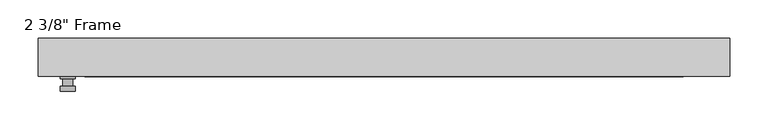
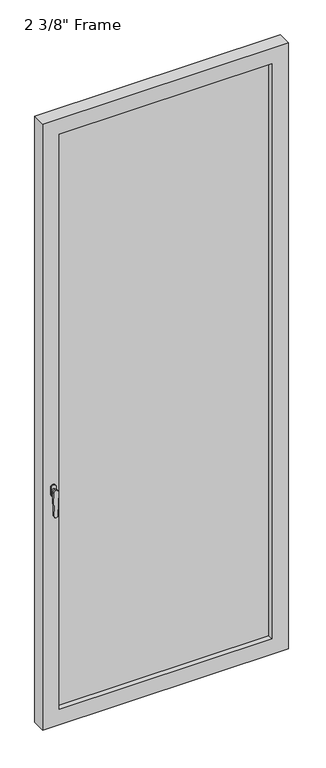
"""IFC4 building model written with IfcOpenShell, lengths in millimetres: plate geometry."""

from ifc_helpers import new_model, si_unit, frame, origin, place, context, project, spatial, polyline, circle_curve, outline, extrude, faceted_brep, source, transform, mapped, element, save
from ifc_brep_helpers import plane_surface, cylinder_surface, advanced_brep


def plate_90e26976(model_context):
    return source(origin(), model_context, "Body", "SolidModel", [
        advanced_brep(
        [(-401.6375, -24.60625, 927.1), (-401.6375, -24.60625, 901.7), (-420.6875, -24.60625, 901.7), (-420.6875, -24.60625, 927.1), (-404.8125, -37.30625, 914.4), (-417.5125, -37.30625, 914.4), (-417.5125, -27.78125, 914.4), (-404.8125, -27.78125, 914.4), (-401.6375, -37.30625, 914.4), (-404.8165356, -37.30625, 825.2736467), (-417.5084644, -37.30625, 825.2736467), (-420.6875, -37.30625, 914.4), (-401.6375, -43.65625, 914.4), (-420.6875, -43.65625, 914.4), (-417.5084644, -43.65625, 825.2736467), (-404.8165356, -43.65625, 825.2736467), (-401.6375, -27.78125, 927.1), (-420.6875, -27.78125, 927.1), (-420.6875, -27.78125, 901.7), (-401.6375, -27.78125, 901.7)],
        [
            (0, 1),
            (1, 2, circle_curve(frame((-411.1625, -24.60625, 901.7), z_axis=(0.0, 1.0, 0.0), x_axis=(-1.0, 0.0, 0.0)), 9.525)),
            (2, 3),
            (3, 0, circle_curve(frame((-411.1625, -24.60625, 927.1), z_axis=(0.0, 1.0, 0.0), x_axis=(-1.0, 0.0, 0.0)), 9.525)),
            (4, 5, circle_curve(frame((-411.1625, -37.30625, 914.4), z_axis=(0.0, 1.0, 0.0), x_axis=(-1.0, 0.0, 0.0)), 6.35)),
            (5, 6),
            (6, 7, circle_curve(frame((-411.1625, -27.78125, 914.4), z_axis=(0.0, -1.0, 0.0), x_axis=(-1.0, 0.0, 0.0)), 6.35)),
            (7, 4),
            (5, 4, circle_curve(frame((-411.1625, -37.30625, 914.4), z_axis=(0.0, 1.0, 0.0), x_axis=(-1.0, 0.0, 0.0)), 6.35)),
            (7, 6, circle_curve(frame((-411.1625, -27.78125, 914.4), z_axis=(0.0, -1.0, 0.0), x_axis=(-1.0, 0.0, 0.0)), 6.35)),
            (8, 9),
            (9, 10, circle_curve(frame((-411.1625, -37.30625, 825.5), z_axis=(0.0, 1.0, 0.0), x_axis=(-1.0, 0.0, 0.0)), 6.35)),
            (10, 11),
            (11, 8, circle_curve(frame((-411.1625, -37.30625, 914.4), z_axis=(0.0, 1.0, 0.0), x_axis=(-1.0, 0.0, 0.0)), 9.525)),
            (12, 13, circle_curve(frame((-411.1625, -43.65625, 914.4), z_axis=(0.0, -1.0, 0.0), x_axis=(-1.0, 0.0, 0.0)), 9.525)),
            (13, 14),
            (14, 15, circle_curve(frame((-411.1625, -43.65625, 825.5), z_axis=(0.0, -1.0, 0.0), x_axis=(-1.0, 0.0, 0.0)), 6.35)),
            (15, 12),
            (8, 12),
            (15, 9),
            (14, 10),
            (13, 11),
            (16, 17, circle_curve(frame((-411.1625, -27.78125, 927.1), z_axis=(0.0, -1.0, 0.0), x_axis=(-1.0, 0.0, 0.0)), 9.525)),
            (17, 18),
            (18, 19, circle_curve(frame((-411.1625, -27.78125, 901.7), z_axis=(0.0, -1.0, 0.0), x_axis=(-1.0, 0.0, 0.0)), 9.525)),
            (19, 16),
            (0, 16),
            (19, 1),
            (18, 2),
            (17, 3),
        ],
        [
            plane_surface(frame((-417.5125, -24.60625, 914.4), z_axis=(0.0, 1.0, 0.0), x_axis=(0.0, 0.0, 1.0))),
            cylinder_surface(frame((-411.1625, -37.30625, 914.4), z_axis=(0.0, 1.0, 0.0), x_axis=(-1.0, 0.0, 0.0)), 6.35),
            plane_surface(frame((-401.6375, -37.30625, 914.4), z_axis=(0.0, 1.0000000000000002, 0.0), x_axis=(-0.03564619348186888, 0.0, -0.9993644724975235))),
            plane_surface(frame((-401.6375, -43.65625, 914.4), z_axis=(0.0, -1.0000000000000002, 0.0), x_axis=(0.03564619348186888, 0.0, 0.9993644724975235))),
            plane_surface(frame((-401.6375, -37.30625, 914.4), z_axis=(0.9993644724975235, 0.0, -0.03564619348186888), x_axis=(0.0, -1.0, 0.0))),
            cylinder_surface(frame((-411.1625, -43.65625, 825.5), z_axis=(0.0, 1.0, 0.0), x_axis=(-1.0, 0.0, 0.0)), 6.35),
            plane_surface(frame((-417.5084644, -37.30625, 825.2736467), z_axis=(-0.9993644724975228, 0.0, -0.03564619348188612), x_axis=(0.0, -1.0, 0.0))),
            cylinder_surface(frame((-411.1625, -43.65625, 914.4), z_axis=(0.0, 1.0, 0.0), x_axis=(-1.0, 0.0, 0.0)), 9.525),
            plane_surface(frame((-401.6375, -27.78125, 901.7), z_axis=(0.0, -1.0, 0.0), x_axis=(0.0, 0.0, 1.0))),
            plane_surface(frame((-401.6375, -24.60625, 927.1), z_axis=(1.0, 0.0, 0.0), x_axis=(0.0, -1.0, 0.0))),
            cylinder_surface(frame((-411.1625, -27.78125, 901.7), z_axis=(0.0, 1.0, 0.0), x_axis=(-1.0, 0.0, 0.0)), 9.525),
            plane_surface(frame((-420.6875, -24.60625, 901.7), z_axis=(-1.0, 0.0, 0.0), x_axis=(0.0, -1.0, 0.0))),
            cylinder_surface(frame((-411.1625, -27.78125, 927.1), z_axis=(0.0, 1.0, 0.0), x_axis=(-1.0, 0.0, 0.0)), 9.525),
        ],
        [
            (0, [[1, 2, 3, 4]]),
            (1, [[5, 6, 7, 8]]),
            (1, [[9, -8, 10, -6]]),
            (2, [[11, 12, 13, 14], [-5, -9]]),
            (3, [[15, 16, 17, 18]]),
            (4, [[-11, 19, -18, 20]]),
            (5, [[-12, -20, -17, 21]]),
            (6, [[-13, -21, -16, 22]]),
            (7, [[-14, -22, -15, -19]]),
            (8, [[23, 24, 25, 26], [-7, -10]]),
            (9, [[-1, 27, -26, 28]]),
            (10, [[-2, -28, -25, 29]]),
            (11, [[-3, -29, -24, 30]]),
            (12, [[-4, -30, -23, -27]]),
        ],
    ),
        faceted_brep([(-449.2625, -24.60625, 0.0), (-449.2625, 24.60625, 0.0), (449.2625, 24.60625, 0.0), (449.2625, -24.60625, 0.0), (-388.9375, 24.60625, 2281.2375), (-388.9375, 18.25625, 2281.2375), (-388.9375, 18.25625, 60.325), (-388.9375, 24.60625, 60.325), (401.6375, 18.25625, 2293.9375), (-401.6375, 18.25625, 2293.9375), (-401.6375, 18.25625, 47.625), (401.6375, 18.25625, 47.625), (388.9375, 18.25625, 2281.2375), (388.9375, 18.25625, 60.325), (-401.6375, -5.55625, 2293.9375), (-401.6375, -5.55625, 47.625), (401.6375, -5.55625, 2293.9375), (401.6375, -5.55625, 47.625), (-388.9375, -5.55625, 2281.2375), (-388.9375, -5.55625, 60.325), (388.9375, -5.55625, 60.325), (388.9375, -5.55625, 2281.2375), (-388.9375, -24.60625, 2281.2375), (-388.9375, -24.60625, 60.325), (449.2625, -24.60625, 2341.5625), (-449.2625, -24.60625, 2341.5625), (388.9375, -24.60625, 2281.2375), (388.9375, -24.60625, 60.325), (-449.2625, 24.60625, 2341.5625), (449.2625, 24.60625, 2341.5625), (388.9375, 24.60625, 60.325), (388.9375, 24.60625, 2281.2375)], [[[0, 1, 2, 3]], [[4, 5, 6, 7]], [[8, 9, 10, 11], [5, 12, 13, 6]], [[10, 9, 14, 15]], [[14, 16, 17, 15], [18, 19, 20, 21]], [[18, 22, 23, 19]], [[0, 3, 24, 25], [22, 26, 27, 23]], [[1, 0, 25, 28]], [[2, 1, 28, 29], [4, 7, 30, 31]], [[5, 4, 31, 12]], [[9, 8, 16, 14]], [[18, 21, 26, 22]], [[25, 24, 29, 28]], [[12, 31, 30, 13]], [[17, 16, 8, 11]], [[26, 21, 20, 27]], [[24, 3, 2, 29]], [[23, 27, 20, 19]], [[11, 10, 15, 17]], [[6, 13, 30, 7]]]),
        extrude(outline(polyline([(401.6375, -5.55625), (-401.6375, -5.55625), (-401.6375, 18.25625), (401.6375, 18.25625), (401.6375, -5.55625)])), frame((0.0, 0.0, 47.625), z_axis=(0.0, 0.0, 1.0), x_axis=(1.0, 0.0, 0.0)), (0.0, 0.0, 1.0), 2246.3125),
    ])


if __name__ == "__main__":
    model = new_model("IFC4")
    model_context = context("Model", 3, world=origin())
    ifc_project = project(units=[si_unit("LENGTHUNIT", "METRE", prefix="MILLI")], contexts=[model_context])
    site = spatial("IfcSite", under=ifc_project)
    building = spatial("IfcBuilding", under=site)
    placement = place(None, origin())
    plate_shape = plate_90e26976(model_context)
    element("IfcPlate", 1, ObjectType="2 3/8\" Frame", at=placement, inside=building, context=model_context, shape_type="MappedRepresentation", body=[
        mapped(plate_shape, transform((0.0, 0.0, 0.0), x_axis=(1.0, 0.0, 0.0), y_axis=(0.0, 1.0, 0.0), z_axis=(0.0, 0.0, 1.0))),
    ])
    save(model, "model.ifc")
